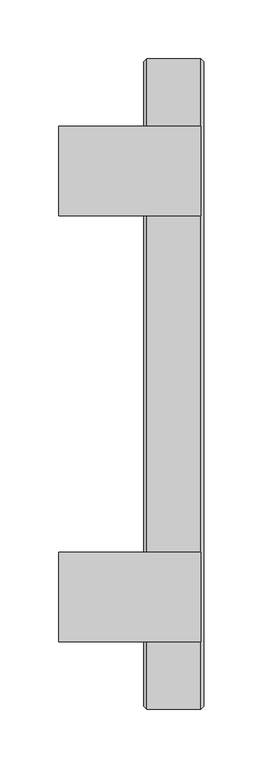
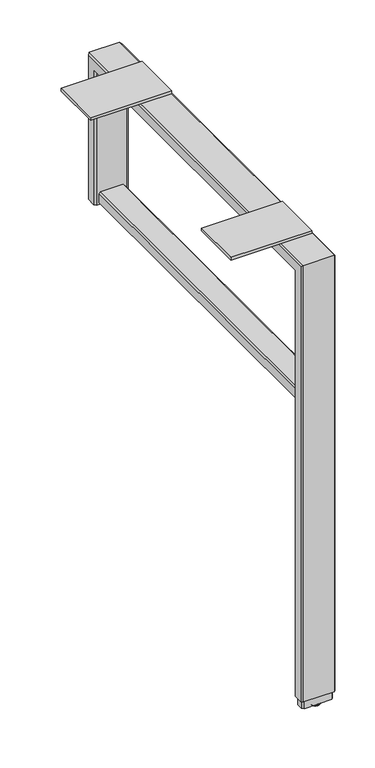
"""IFC4 building model written with IfcOpenShell, lengths in millimetres: furniture geometry."""

from ifc_helpers import new_model, si_unit, point, frame, origin, place, context, project, spatial, polyline, circle_curve, ellipse_curve, trimmed, outline, extrude, faceted_brep, source, transform, mapped, element, save
from ifc_brep_helpers import plane_surface, cylinder_surface, revolved_surface, advanced_brep


def furniture_e63585ec(model_context):
    return source(origin(), model_context, "Body", "SolidModel", [
        extrude(outline(polyline([(-713.738801, -171.5770123), (-713.738801, -247.7770123), (-834.388801, -247.7770123), (-834.388801, -171.5770123), (-713.738801, -171.5770123)])), frame((0.0, 0.0, 702.5386222), z_axis=(0.0, 0.0, 1.0), x_axis=(1.0, 0.0, 0.0)), (0.0, 0.0, 1.0), 4.3434),
        extrude(outline(polyline([(-713.738801, 190.6777877), (-713.738801, 114.4777877), (-834.388801, 114.4777877), (-834.388801, 190.6777877), (-713.738801, 190.6777877)])), frame((0.0, 0.0, 702.5386222), z_axis=(0.0, 0.0, 1.0), x_axis=(1.0, 0.0, 0.0)), (0.0, 0.0, 1.0), 4.3434),
        extrude(outline(polyline([(476.3769908, -755.6487993), (473.8369932, -753.1088017), (473.8369932, -720.0887986), (476.3769908, -717.548801), (490.3469956, -717.548801), (492.8869932, -720.0887986), (492.8869932, -753.1087989), (490.3469928, -755.6487993), (476.3769908, -755.6487993)])), frame((0.0, -285.8770123, 0.0), z_axis=(0.0, 1.0, 0.0), x_axis=(0.0, 0.0, 1.0)), (0.0, 0.0, 1.0), 514.6548),
        advanced_brep(
        [(-731.5193954, -295.4020123, 0.0), (-741.6793993, -295.4020123, 0.0), (-736.5993974, -295.4020123, 0.0), (-736.5993974, -295.4020123, 3.8100001), (-743.2220422, -295.4020123, 3.8100001), (-729.9767525, -295.4020123, 3.8100001), (-743.7113974, -295.4020123, 3.183654), (-729.4873973, -295.4020123, 3.183654), (-743.7113974, -295.4020123, 2.032), (-729.4873973, -295.4020123, 2.032)],
        [
            (0, 1, circle_curve(frame((-736.5993974, -295.4020123, 0.0), z_axis=(0.0, 0.0, -1.0), x_axis=(-1.0, 0.0, 0.0)), 5.080002)),
            (1, 2),
            (2, 0),
            (1, 0, circle_curve(frame((-736.5993974, -295.4020123, 0.0), z_axis=(0.0, 0.0, -1.0), x_axis=(-1.0, 0.0, 0.0)), 5.080002)),
            (3, 4),
            (4, 5, circle_curve(frame((-736.5993974, -295.4020123, 3.8100001), z_axis=(0.0, 0.0, 1.0), x_axis=(-1.0, 0.0, 0.0)), 6.6226448)),
            (5, 3),
            (5, 4, circle_curve(frame((-736.5993974, -295.4020123, 3.8100001), z_axis=(0.0, 0.0, 1.0), x_axis=(-1.0, 0.0, 0.0)), 6.6226448)),
            (4, 6),
            (6, 7, circle_curve(frame((-736.5993974, -295.4020123, 3.183654), z_axis=(0.0, 0.0, 1.0), x_axis=(-1.0, 0.0, 0.0)), 7.112)),
            (7, 5),
            (7, 6, circle_curve(frame((-736.5993974, -295.4020123, 3.183654), z_axis=(0.0, 0.0, 1.0), x_axis=(-1.0, 0.0, 0.0)), 7.112)),
            (6, 8),
            (8, 9, circle_curve(frame((-736.5993974, -295.4020123, 2.032), z_axis=(0.0, 0.0, 1.0), x_axis=(-1.0, 0.0, 0.0)), 7.112)),
            (9, 7),
            (9, 8, circle_curve(frame((-736.5993974, -295.4020123, 2.032), z_axis=(0.0, 0.0, 1.0), x_axis=(-1.0, 0.0, 0.0)), 7.112)),
            (8, 1, circle_curve(frame((-740.2425579, -295.4020123, 3.4688381), z_axis=(0.0, -1.0, 0.0), x_axis=(-1.0, 0.0, 0.0)), 3.7546439)),
            (0, 9, circle_curve(frame((-732.9562368, -295.4020123, 3.4688381), z_axis=(0.0, -1.0, 0.0), x_axis=(1.0, 0.0, 0.0)), 3.7546439)),
        ],
        [
            plane_surface(frame((-736.5993974, -295.4020123, 0.0), z_axis=(0.0, 0.0, -1.0), x_axis=(-1.0, 0.0, 0.0))),
            plane_surface(frame((-736.5993974, -295.4020123, 3.8100001), z_axis=(0.0, 0.0, 1.0), x_axis=(-1.0, 0.0, 0.0))),
            revolved_surface(polyline([(-743.7113974, -295.4020123, 3.183654), (-743.2220422, -295.4020123, 3.8100001)]), (-736.5993974, -295.4020123, -2.6032322), (0.0, 0.0, 1.0)),
            cylinder_surface(frame((-736.5993974, -295.4020123, -2.6032322), z_axis=(0.0, 0.0, 1.0), x_axis=(-1.0, 0.0, 0.0)), 7.112),
            revolved_surface(trimmed(ellipse_curve(frame((-740.2425579, -295.4020123, 3.4688381), z_axis=(0.0, 1.0, 0.0), x_axis=(-1.0, 0.0, 0.0)), 3.7546439, 3.7546439), [point((-741.6793993, -295.4020123, 0.0))], [point((-743.7113974, -295.4020123, 2.032))], True, "CARTESIAN"), (-736.5993974, -295.4020123, -2.6032322), (0.0, 0.0, 1.0)),
        ],
        [
            (0, [[1, 2, 3]]),
            (0, [[4, -3, -2]]),
            (1, [[5, 6, 7]]),
            (1, [[-7, 8, -5]]),
            (2, [[-6, 9, 10, 11]]),
            (2, [[-8, -11, 12, -9]]),
            (3, [[-10, 13, 14, 15]]),
            (3, [[-12, -15, 16, -13]]),
            (4, [[-14, 17, -1, 18]]),
            (4, [[-16, -18, -4, -17]]),
        ],
    ),
        extrude(outline(polyline([(-757.0458011, -288.2900191), (-716.1523987, -288.2900191), (-713.6118022, -290.8300166), (-713.6118022, -299.9740079), (-716.1523987, -302.5140055), (-757.0458011, -302.5140055), (-759.5858009, -299.9740079), (-759.5858009, -290.8300166), (-757.0458011, -288.2900191)])), frame((0.0, 0.0, 3.8100001), z_axis=(0.0, 0.0, 1.0), x_axis=(1.0, 0.0, 0.0)), (0.0, 0.0, 1.0), 12.6999999),
        faceted_brep([(-761.9994011, -302.3870147, 16.51), (-761.9994011, -288.4170098, 16.51), (-759.4594011, -285.8770123, 16.51), (-713.7394021, -285.8770123, 16.51), (-711.1994, -288.4170144, 16.51), (-711.1994, -302.3870102, 16.51), (-713.7394021, -304.9270123, 16.51), (-759.4594011, -304.9270123, 16.51), (-761.9994011, -302.3870147, 699.9986246), (-761.9994011, 245.2877902, 699.9986246), (-761.9994011, 245.2877902, 473.8369932), (-761.9994011, 231.3177853, 473.8369932), (-761.9994011, 231.3177853, 686.0286198), (-761.9994011, -288.4170098, 686.0286198), (-759.4594011, -285.8770123, 683.4886222), (-713.7394021, -285.8770123, 683.4886222), (-711.1994, -288.4170144, 686.0286243), (-711.1994, 231.3177898, 686.0286243), (-711.1994, 231.3177898, 473.8369932), (-711.1994, 245.2877856, 473.8369932), (-711.1994, 245.2877856, 699.9986201), (-711.1994, -302.3870102, 699.9986201), (-713.7394021, -304.9270123, 702.5386222), (-759.4594011, -304.9270123, 702.5386222), (-759.4594011, 228.7777877, 683.4886222), (-713.7394021, 228.7777877, 683.4886222), (-713.7394021, 247.8277877, 702.5386222), (-759.4594011, 247.8277877, 702.5386222), (-759.4594011, 228.7777877, 473.8369932), (-713.7394021, 228.7777877, 473.8369932), (-713.7394021, 247.8277877, 473.8369932), (-759.4594011, 247.8277877, 473.8369932)], [[[0, 1, 2, 3, 4, 5, 6, 7]], [[1, 0, 8, 9, 10, 11, 12, 13]], [[2, 1, 13, 14]], [[3, 2, 14, 15]], [[5, 4, 16, 17, 18, 19, 20, 21]], [[6, 5, 21, 22]], [[7, 6, 22, 23]], [[0, 7, 23, 8]], [[14, 13, 12, 24]], [[15, 14, 24, 25]], [[22, 21, 20, 26]], [[23, 22, 26, 27]], [[8, 23, 27, 9]], [[24, 12, 11, 28]], [[25, 24, 28, 29]], [[26, 20, 19, 30]], [[27, 26, 30, 31]], [[9, 27, 31, 10]], [[10, 31, 30, 19, 18, 29, 28, 11]], [[4, 3, 15, 16]], [[16, 15, 25, 17]], [[17, 25, 29, 18]]]),
    ])


if __name__ == "__main__":
    model = new_model("IFC4")
    model_context = context("Model", 3, world=origin())
    ifc_project = project(units=[si_unit("LENGTHUNIT", "METRE", prefix="MILLI")], contexts=[model_context])
    site = spatial("IfcSite", under=ifc_project)
    building = spatial("IfcBuilding", under=site)
    placement = place(None, origin())
    furniture_shape = furniture_e63585ec(model_context)
    element("IfcFurniture", 1, at=placement, inside=building, context=model_context, shape_type="MappedRepresentation", body=[
        mapped(furniture_shape, transform((0.0, 0.0, 0.0), x_axis=(1.0, 0.0, 0.0), y_axis=(0.0, 1.0, 0.0), z_axis=(0.0, 0.0, 1.0))),
    ])
    save(model, "model.ifc")
